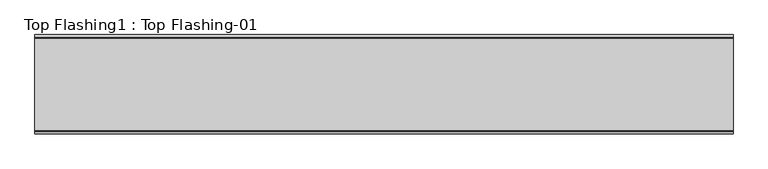
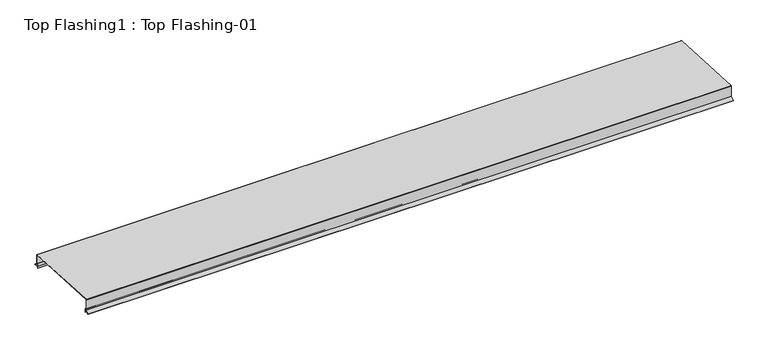
"""IFC4 building model written with IfcOpenShell, lengths in millimetres: proxy geometry, Top Flashing1 : Top Flashing-01."""

from ifc_helpers import new_model, si_unit, point, frame, frame_2d, origin, place, context, project, spatial, polyline, circle_curve, trimmed, segment, composite_curve, outline, extrude, source, transform, mapped, element, save


def top_flashing1_top_flashing_01_40290e42(model_context):
    return source(origin(), model_context, "Body", "SweptSolid", [
        extrude(outline(composite_curve([segment(polyline([(-853.0, 10488.2367302), (-853.0, 10471.4143516)]), True, "CONTINUOUS"), segment(trimmed(circle_curve(frame_2d((-867.9327299, 10467.6874087)), 15.3907936), [point((-853.0, 10471.4143516))], [point((-870.0710678, 10482.9289322))], True, "CARTESIAN"), True, "CONTINUOUS"), segment(polyline([(-870.0710678, 10482.9289322), (-863.0, 10490.0)]), True, "CONTINUOUS"), segment(trimmed(circle_curve(frame_2d((-858.6173274, 10485.6173274)), 6.198035), [point((-863.0, 10490.0))], [point((-853.0, 10488.2367302))], False, "CARTESIAN"), True, "CONTINUOUS")], self_intersect=False)), frame((-8196.8540491, 0.0, 0.0), z_axis=(1.0, 0.0, 0.0), x_axis=(0.0, 1.0, 0.0)), (0.0, 0.0, 1.0), 3162.6790597),
        extrude(outline(composite_curve([segment(trimmed(circle_curve(frame_2d((-446.3514618, 10469.2578967)), 6.6486124), [point((-453.0, 10469.2264973))], [point((-443.0, 10475.0))], False, "CARTESIAN"), True, "CONTINUOUS"), segment(polyline([(-443.0, 10475.0), (-434.9010818, 10466.9010818)]), True, "CONTINUOUS"), segment(trimmed(circle_curve(frame_2d((-438.4066952, 10450.7924342)), 16.4856863), [point((-434.9010818, 10466.9010818))], [point((-453.0, 10458.4614177))], True, "CARTESIAN"), True, "CONTINUOUS"), segment(polyline([(-453.0, 10458.4614177), (-453.0, 10469.2264973)]), True, "CONTINUOUS")], self_intersect=False)), frame((-8196.8540491, 0.0, 0.0), z_axis=(1.0, 0.0, 0.0), x_axis=(0.0, 1.0, 0.0)), (0.0, 0.0, 1.0), 3162.6790597),
        extrude(outline(composite_curve([segment(polyline([(-443.0, 10475.0), (-443.0, 10520.7139372), (-863.0, 10542.7252045), (-863.0, 10490.0), (-877.1421356, 10475.8578644), (-878.5563492, 10477.2720779), (-865.0, 10490.8284271), (-865.0, 10542.7279492)]), True, "CONTINUOUS"), segment(trimmed(circle_curve(frame_2d((-863.0, 10542.7279492)), 2.0), [point((-865.0, 10542.7279492))], [point((-863.0, 10544.7279492))], False, "CARTESIAN"), True, "CONTINUOUS"), segment(polyline([(-863.0, 10544.7279492), (-442.7909431, 10522.7057257)]), True, "CONTINUOUS"), segment(trimmed(circle_curve(frame_2d((-443.0, 10520.7166819)), 2.0), [point((-442.7909431, 10522.7057257))], [point((-441.0, 10520.7166819))], False, "CARTESIAN"), True, "CONTINUOUS"), segment(polyline([(-441.0, 10520.7166819), (-441.0, 10475.8284271), (-427.4436508, 10462.2720779), (-428.8578644, 10460.8578644), (-443.0, 10475.0)]), True, "CONTINUOUS")], self_intersect=False)), frame((-8196.8540491, 0.0, 0.0), z_axis=(1.0, 0.0, 0.0), x_axis=(0.0, 1.0, 0.0)), (0.0, 0.0, 1.0), 3162.6790597),
    ])


if __name__ == "__main__":
    model = new_model("IFC4")
    model_context = context("Model", 3, world=origin())
    ifc_project = project(units=[si_unit("LENGTHUNIT", "METRE", prefix="MILLI")], contexts=[model_context])
    site = spatial("IfcSite", under=ifc_project)
    building = spatial("IfcBuilding", under=site)
    placement = place(None, origin())
    top_flashing1_top_flashing_01_shape = top_flashing1_top_flashing_01_40290e42(model_context)
    element("IfcBuildingElementProxy", 1, Name="Top Flashing1 : Top Flashing-01", ObjectType="Top Flashing1 : Top Flashing-01", at=placement, inside=building, context=model_context, shape_type="MappedRepresentation", body=[
        mapped(top_flashing1_top_flashing_01_shape, transform((0.0, 0.0, 0.0), x_axis=(1.0, 0.0, 0.0), y_axis=(0.0, 1.0, 0.0), z_axis=(0.0, 0.0, 1.0))),
    ])
    save(model, "model.ifc")
